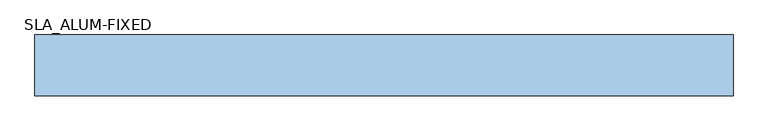
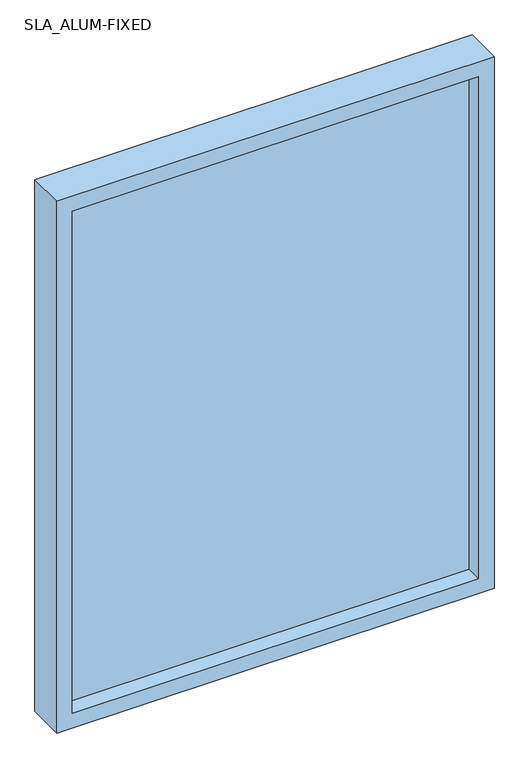
"""IFC4 building model written with IfcOpenShell, lengths in millimetres: window geometry, SLA_ALUM-FIXED."""

import ifcopenshell
import ifcopenshell.guid

model = None  # the IFC model being written
_history = None  # IfcOwnerHistory: only IFC2X3 demands one
_inside = {}  # id of a spatial element -> (the spatial element, [elements in it])
_under = {}  # id of a project, library or spatial element -> (it, [spatial elements below it])
_declared = {}  # id of a project -> (the project, [libraries it declares])
_typed = {}  # id of a type object -> (the type object, [elements of that type])
_made_of = {}  # id of a material, layer set ... -> (it, [elements and type objects made of it])


def new_model(schema):
    """Start an empty IFC model of exactly this schema.

    Asked for "IFC4X3", IfcOpenShell would pick the latest addendum, in which some entities
    have other attributes; the version numbers below select the first issue.
    IFC2X3 requires an IfcOwnerHistory on every rooted entity: one is made here for all.
    """
    global model, _history
    if schema == "IFC4X3":
        model = ifcopenshell.file(schema_version=(4, 3, 0, 0))
    else:
        model = ifcopenshell.file(schema=schema)
    _inside.clear()
    _under.clear()
    _declared.clear()
    _typed.clear()
    _made_of.clear()
    _history = None
    if model.schema == "IFC2X3":
        org = make("IfcOrganization", Name="unknown")
        user = make(
            "IfcPersonAndOrganization",
            ThePerson=make("IfcPerson", FamilyName="unknown"),
            TheOrganization=org,
        )
        app = make(
            "IfcApplication",
            ApplicationDeveloper=org,
            Version="unknown",
            ApplicationFullName="unknown",
            ApplicationIdentifier="unknown",
        )
        _history = make(
            "IfcOwnerHistory",
            OwningUser=user,
            OwningApplication=app,
            ChangeAction="ADDED",
            CreationDate=0,
        )
    return model


def make(cls, **values):
    """One entity of the class cls with the attributes given. An attribute that is None is left unset."""
    return model.create_entity(
        cls, **{name: value for name, value in values.items() if value is not None}
    )


def rooted(cls, **values):
    """An entity with a GlobalId (a new one), such as an element, a storey or a relation."""
    return make(cls, GlobalId=ifcopenshell.guid.new(), OwnerHistory=_history, **values)


def si_unit(unit_type, name, prefix=None):
    """IfcSIUnit, for example si_unit("LENGTHUNIT", "METRE", prefix="MILLI")."""
    return make("IfcSIUnit", UnitType=unit_type, Prefix=prefix, Name=name)


def assignment(units):
    """IfcUnitAssignment: the units of a project."""
    return None if units is None else make("IfcUnitAssignment", Units=units)


def point(xyz):
    """IfcCartesianPoint."""
    return None if xyz is None else make("IfcCartesianPoint", Coordinates=xyz)


def direction(xyz):
    """IfcDirection."""
    return None if xyz is None else make("IfcDirection", DirectionRatios=xyz)


def frame(location, z_axis=None, x_axis=None):
    """IfcAxis2Placement3D, a coordinate frame: its origin and axes. An axis left out is left unset."""
    return make(
        "IfcAxis2Placement3D",
        Location=point(location),
        Axis=direction(z_axis),
        RefDirection=direction(x_axis),
    )


def origin():
    """The frame at (0, 0, 0) with its axes left unset."""
    return frame((0.0, 0.0, 0.0))


def place(relative_to, where):
    """IfcLocalPlacement: puts the frame where relative to a parent placement (None: the world)."""
    return make(
        "IfcLocalPlacement", PlacementRelTo=relative_to, RelativePlacement=where
    )


def context(
    kind, dimensions, precision=None, world=None, true_north=None, identifier=None
):
    """IfcGeometricRepresentationContext, for example the 3D "Model" context."""
    return make(
        "IfcGeometricRepresentationContext",
        ContextIdentifier=identifier,
        ContextType=kind,
        CoordinateSpaceDimension=dimensions,
        Precision=precision,
        WorldCoordinateSystem=world,
        TrueNorth=true_north,
    )


def project(units=None, contexts=None):
    """IfcProject with its units and contexts."""
    return rooted(
        "IfcProject",
        Name="project",
        RepresentationContexts=contexts,
        UnitsInContext=assignment(units),
    )


def spatial(cls, under=None, at=None, **own):
    """A site, building, storey or space (cls), placed at a placement, below another one or the project."""
    s = rooted(cls, ObjectPlacement=at, **own)
    if under is not None:
        _under.setdefault(under.id(), (under, []))[1].append(s)
    return s


def polyline(points):
    """IfcPolyline through the points."""
    return make("IfcPolyline", Points=[point(p) for p in points])


def outline(outer, holes=None, kind="AREA"):
    """IfcArbitraryClosedProfileDef: a profile drawn as a closed curve; with holes, ...WithVoids."""
    if holes is None:
        return make("IfcArbitraryClosedProfileDef", ProfileType=kind, OuterCurve=outer)
    return make(
        "IfcArbitraryProfileDefWithVoids",
        ProfileType=kind,
        OuterCurve=outer,
        InnerCurves=holes,
    )


def extrude(swept, where, along, depth):
    """IfcExtrudedAreaSolid: the profile swept, set in the frame where, extruded along a direction by depth."""
    return make(
        "IfcExtrudedAreaSolid",
        SweptArea=swept,
        Position=where,
        ExtrudedDirection=direction(along),
        Depth=depth,
    )


def shape(context_of_items, identifier, shape_type, items):
    """IfcShapeRepresentation: the items that make up one representation, for example the "Body"."""
    return make(
        "IfcShapeRepresentation",
        ContextOfItems=context_of_items,
        RepresentationIdentifier=identifier,
        RepresentationType=shape_type,
        Items=items,
    )


def source(mapping_origin, context_of_items, identifier, shape_type, items):
    """IfcRepresentationMap: a shape defined once, which mapped items show again and again."""
    return make(
        "IfcRepresentationMap",
        MappingOrigin=mapping_origin,
        MappedRepresentation=shape(context_of_items, identifier, shape_type, items),
    )


def transform(
    local_origin,
    x_axis=None,
    y_axis=None,
    z_axis=None,
    scale=None,
    scale2=None,
    scale3=None,
    uniform=True,
):
    """IfcCartesianTransformationOperator3D, or its non-uniform kind. x_axis, y_axis, z_axis: its Axis1, 2, 3."""
    if uniform:
        return make(
            "IfcCartesianTransformationOperator3D",
            Axis1=direction(x_axis),
            Axis2=direction(y_axis),
            LocalOrigin=point(local_origin),
            Scale=scale,
            Axis3=direction(z_axis),
        )
    return make(
        "IfcCartesianTransformationOperator3DnonUniform",
        Axis1=direction(x_axis),
        Axis2=direction(y_axis),
        LocalOrigin=point(local_origin),
        Scale=scale,
        Axis3=direction(z_axis),
        Scale2=scale2,
        Scale3=scale3,
    )


def mapped(mapping_source, mapping_target):
    """IfcMappedItem: shows the shape of a source again, moved by a transform."""
    return make(
        "IfcMappedItem", MappingSource=mapping_source, MappingTarget=mapping_target
    )


def made_of(thing, what):
    """Note that an element or type object is made of a material, layer set ...; save() writes the relation."""
    if what is not None:
        _made_of.setdefault(what.id(), (what, []))[1].append(thing)
    return thing


def element(
    cls,
    number,
    at=None,
    inside=None,
    cuts=None,
    type_object=None,
    material=None,
    context=None,
    identifier="Body",
    shape_type=None,
    held_by="IfcProductDefinitionShape",
    body=None,
    shapes=None,
    **own,
):
    """One element of the class cls, such as IfcWall. Its Tag is "e" and its number.

    at: its placement. inside: the storey or other place that contains it. cuts: it is an
    opening in that element (IfcRelVoidsElement). A single representation is given by context,
    identifier, shape_type and body (its items); several are given by shapes. held_by: the class
    of the entity that holds the representations. save() writes the other relations.
    """
    e = rooted(cls, Tag="e%d" % number, ObjectPlacement=at, **own)
    if body is not None:
        shapes = [shape(context, identifier, shape_type, body)]
    if shapes is not None:
        e.Representation = make(held_by, Representations=shapes)
    if inside is not None:
        _inside.setdefault(inside.id(), (inside, []))[1].append(e)
    if cuts is not None:
        rooted(
            "IfcRelVoidsElement", RelatingBuildingElement=cuts, RelatedOpeningElement=e
        )
    if type_object is not None:
        _typed.setdefault(type_object.id(), (type_object, []))[1].append(e)
    return made_of(e, material)


def aggregate(whole, parts):
    """IfcRelAggregates: a whole, such as a stair, and the parts it consists of."""
    return rooted("IfcRelAggregates", RelatingObject=whole, RelatedObjects=parts)


def save(model, path):
    """Write the relations noted so far, then the file.

    IfcRelAggregates (storeys below a building ...), IfcRelContainedInSpatialStructure (elements
    in a storey), IfcRelDefinesByType, IfcRelAssociatesMaterial and IfcRelDeclares: one each for
    every whole, place, type object, material and project.
    """
    for whole, parts in _under.values():
        aggregate(whole, parts)
    for where, things in _inside.values():
        rooted(
            "IfcRelContainedInSpatialStructure",
            RelatedElements=things,
            RelatingStructure=where,
        )
    for kind, things in _typed.values():
        rooted("IfcRelDefinesByType", RelatedObjects=things, RelatingType=kind)
    for what, things in _made_of.values():
        rooted("IfcRelAssociatesMaterial", RelatedObjects=things, RelatingMaterial=what)
    for by, libraries in _declared.values():
        rooted("IfcRelDeclares", RelatingContext=by, RelatedDefinitions=libraries)
    model.write(path)


def sla_alum_fixed_3fdc34d6(model_context):
    return source(origin(), model_context, "Body", "SweptSolid", [
        extrude(outline(polyline([(-1320.8, 109.1075246), (0.0, 109.1075246), (0.0, 83.7075246), (-1320.8, 83.7075246), (-1320.8, 109.1075246)])), frame((0.0, 0.0, 1574.8), z_axis=(0.0, 0.0, 1.0), x_axis=(1.0, 0.0, 0.0)), (0.0, 0.0, 1.0), 1727.2),
        extrude(outline(polyline([(3352.8, -1371.6), (1524.0, -1371.6), (1524.0, 50.8), (3352.8, 50.8), (3352.8, -1371.6)]), holes=[polyline([(3302.0, 0.0), (1574.8, 0.0), (1574.8, -1320.8), (3302.0, -1320.8), (3302.0, 0.0)])]), frame((0.0, 29.7325246, 0.0), z_axis=(0.0, 1.0, 0.0), x_axis=(0.0, 0.0, 1.0)), (0.0, 0.0, 1.0), 123.825),
    ])


if __name__ == "__main__":
    model = new_model("IFC4")
    model_context = context("Model", 3, world=origin())
    ifc_project = project(units=[si_unit("LENGTHUNIT", "METRE", prefix="MILLI")], contexts=[model_context])
    site = spatial("IfcSite", under=ifc_project)
    building = spatial("IfcBuilding", under=site)
    placement = place(None, origin())
    sla_alum_fixed_shape = sla_alum_fixed_3fdc34d6(model_context)
    element("IfcWindow", 1, ObjectType="SLA_ALUM-FIXED", at=placement, inside=building, context=model_context, shape_type="MappedRepresentation", body=[
        mapped(sla_alum_fixed_shape, transform((0.0, 0.0, 0.0), x_axis=(1.0, 0.0, 0.0), y_axis=(0.0, 1.0, 0.0), z_axis=(0.0, 0.0, 1.0))),
    ])
    save(model, "model.ifc")
